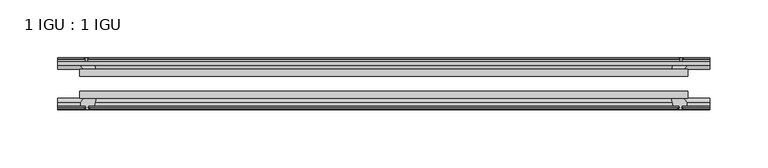
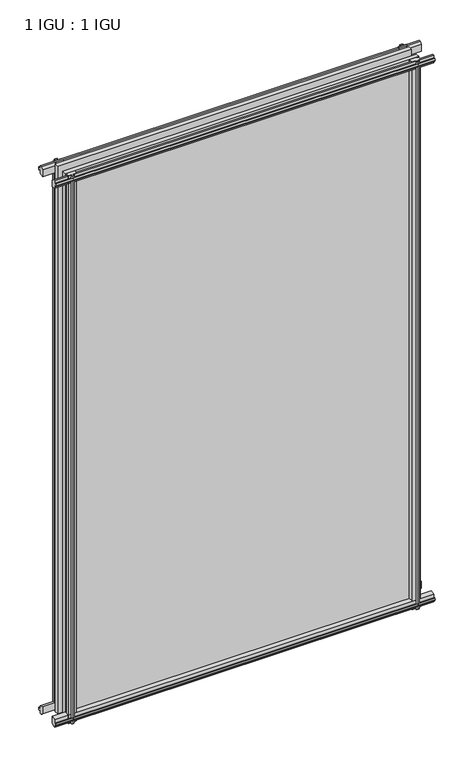
"""IFC4 building model written with IfcOpenShell, lengths in millimetres: plate geometry, 1 IGU : 1 IGU."""

from ifc_helpers import new_model, si_unit, frame, origin, place, context, project, spatial, polyline, outline, extrude, source, transform, mapped, element, save


def plate_1_igu_1_igu_9d632b31(model_context):
    return source(origin(), model_context, "Body", "SweptSolid", [
        extrude(outline(polyline([(-263.523772, -38.6468937), (263.523772, -38.6468937), (263.523772, -44.9460938), (-263.523772, -44.9460938), (-263.523772, -38.6468937)])), frame((0.0, 0.0, -12.7), z_axis=(0.0, 0.0, 1.0), x_axis=(1.0, 0.0, 0.0)), (0.0, 0.0, 1.0), 863.5999996),
        extrude(outline(polyline([(-263.523772, -19.5460937), (263.523772, -19.5460937), (263.523772, -25.8960938), (-263.523772, -25.8960938), (-263.523772, -19.5460937)])), frame((0.0, 0.0, -12.7), z_axis=(0.0, 0.0, 1.0), x_axis=(1.0, 0.0, 0.0)), (0.0, 0.0, 1.0), 863.5999996),
        extrude(outline(polyline([(-44.9460937, 1.7177181), (-44.9460937, -9.1036578), (-48.3496937, -11.938), (-51.2960937, -11.938), (-51.2960937, -7.493), (-53.6762907, -7.112), (-53.2163575, -8.5275291), (-54.0175717, -8.5275291), (-54.7250937, -6.35), (-54.0175717, -4.1724709), (-53.2163575, -4.1724709), (-53.6762907, -5.588), (-51.2960937, -5.207), (-51.2960937, 0.0), (-44.9460937, 1.7177181)])), frame((-282.573772, 0.0, 0.0), z_axis=(1.0, 0.0, 0.0), x_axis=(0.0, 1.0, 0.0)), (0.0, 0.0, 1.0), 565.1475441),
        extrude(outline(polyline([(-13.1960937, -12.4587), (-16.1424937, -12.4587), (-19.5460937, -9.6243578), (-19.5460937, 1.1970181), (-13.1960937, -0.5207), (-13.1960937, -5.7277), (-10.8158968, -6.1087), (-11.27583, -4.6931709), (-10.4746158, -4.6931709), (-9.7670937, -6.8707), (-10.4746158, -9.0482291), (-11.27583, -9.0482291), (-10.8158968, -7.6327), (-13.1960937, -8.0137), (-13.1960937, -12.4587)])), frame((-282.573772, 0.0, 0.0), z_axis=(1.0, 0.0, 0.0), x_axis=(0.0, 1.0, 0.0)), (0.0, 0.0, 1.0), 565.1475441),
        extrude(outline(polyline([(-51.2960937, 850.1379996), (-48.3496937, 850.1379996), (-44.9460937, 847.3036575), (-44.9460937, 836.4822816), (-51.2960937, 838.1999996), (-51.2960937, 843.4069996), (-53.6762907, 843.7879996), (-53.2163575, 842.3724706), (-54.0175717, 842.3724706), (-54.7250937, 844.5499996), (-54.0175717, 846.7275287), (-53.2163575, 846.7275287), (-53.6762907, 845.3119996), (-51.2960937, 845.6929996), (-51.2960937, 850.1379996)])), frame((-282.573772, 0.0, 0.0), z_axis=(1.0, 0.0, 0.0), x_axis=(0.0, 1.0, 0.0)), (0.0, 0.0, 1.0), 565.1475441),
        extrude(outline(polyline([(-19.5460937, 837.0029816), (-19.5460937, 847.8243575), (-16.1424937, 850.6586996), (-13.1960937, 850.6586996), (-13.1960937, 846.2136996), (-10.8158968, 845.8326996), (-11.27583, 847.2482287), (-10.4746158, 847.2482287), (-9.7670937, 845.0706996), (-10.4746158, 842.8931706), (-11.27583, 842.8931706), (-10.8158968, 844.3086996), (-13.1960937, 843.9276996), (-13.1960937, 838.7206996), (-19.5460937, 837.0029816)])), frame((-282.573772, 0.0, 0.0), z_axis=(1.0, 0.0, 0.0), x_axis=(0.0, 1.0, 0.0)), (0.0, 0.0, 1.0), 565.1475441),
        extrude(outline(polyline([(249.626754, -19.5460938), (251.344472, -13.1960938), (256.551472, -13.1960938), (256.932472, -10.8158968), (255.516943, -11.27583), (255.516943, -10.4746158), (257.694472, -9.7670938), (259.8720011, -10.4746158), (259.8720011, -11.27583), (258.456472, -10.8158968), (258.837472, -13.1960938), (263.282472, -13.1960938), (263.282472, -16.1424938), (260.4481299, -19.5460938), (249.626754, -19.5460938)])), frame((0.0, 0.0, -12.7), z_axis=(0.0, 0.0, 1.0), x_axis=(1.0, 0.0, 0.0)), (0.0, 0.0, 1.0), 863.5999998),
        extrude(outline(polyline([(249.106054, -44.9460938), (259.9274299, -44.9460938), (262.761772, -48.3496938), (262.761772, -51.2960938), (258.316772, -51.2960938), (257.935772, -53.6762907), (259.3513011, -53.2163575), (259.3513011, -54.0175717), (257.173772, -54.7250938), (254.996243, -54.0175717), (254.996243, -53.2163575), (256.411772, -53.6762907), (256.030772, -51.2960938), (250.823772, -51.2960938), (249.106054, -44.9460938)])), frame((0.0, 0.0, -12.7), z_axis=(0.0, 0.0, 1.0), x_axis=(1.0, 0.0, 0.0)), (0.0, 0.0, 1.0), 863.5999998),
        extrude(outline(polyline([(-257.694472, -9.7670937), (-255.516943, -10.4746158), (-255.516943, -11.27583), (-256.932472, -10.8158968), (-256.551472, -13.1960937), (-251.344472, -13.1960937), (-249.626754, -19.5460937), (-260.4481299, -19.5460937), (-263.282472, -16.1424937), (-263.282472, -13.1960937), (-258.837472, -13.1960937), (-258.456472, -10.8158968), (-259.8720011, -11.27583), (-259.8720011, -10.4746158), (-257.694472, -9.7670937)])), frame((0.0, 0.0, -12.7), z_axis=(0.0, 0.0, 1.0), x_axis=(1.0, 0.0, 0.0)), (0.0, 0.0, 1.0), 863.5999998),
        extrude(outline(polyline([(-262.761772, -48.3496937), (-259.9274299, -44.9460937), (-249.106054, -44.9460937), (-250.823772, -51.2960937), (-256.030772, -51.2960937), (-256.411772, -53.6762907), (-254.996243, -53.2163575), (-254.996243, -54.0175717), (-257.173772, -54.7250937), (-259.3513011, -54.0175717), (-259.3513011, -53.2163575), (-257.935772, -53.6762907), (-258.316772, -51.2960937), (-262.761772, -51.2960937), (-262.761772, -48.3496937)])), frame((0.0, 0.0, -12.7), z_axis=(0.0, 0.0, 1.0), x_axis=(1.0, 0.0, 0.0)), (0.0, 0.0, 1.0), 863.5999998),
    ])


if __name__ == "__main__":
    model = new_model("IFC4")
    model_context = context("Model", 3, world=origin())
    ifc_project = project(units=[si_unit("LENGTHUNIT", "METRE", prefix="MILLI")], contexts=[model_context])
    site = spatial("IfcSite", under=ifc_project)
    building = spatial("IfcBuilding", under=site)
    placement = place(None, origin())
    plate_1_igu_1_igu_shape = plate_1_igu_1_igu_9d632b31(model_context)
    element("IfcPlate", 1, ObjectType="1 IGU : 1 IGU", at=placement, inside=building, context=model_context, shape_type="MappedRepresentation", body=[
        mapped(plate_1_igu_1_igu_shape, transform((0.0, 0.0, 0.0), x_axis=(1.0, 0.0, 0.0), y_axis=(0.0, 1.0, 0.0), z_axis=(0.0, 0.0, 1.0))),
    ])
    save(model, "model.ifc")
